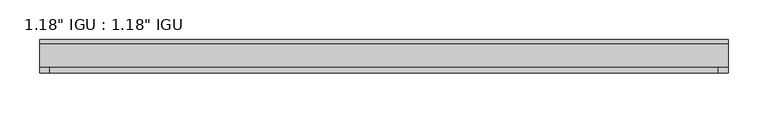
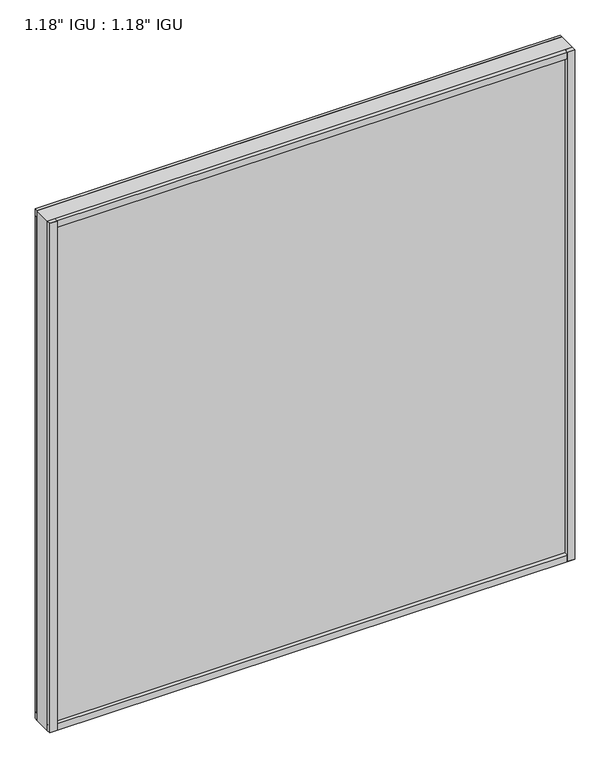
"""IFC4 building model written with IfcOpenShell, lengths in millimetres: plate geometry."""

from ifc_helpers import new_model, si_unit, frame, origin, origin_with_axes, place, context, project, spatial, polyline, outline, extrude, source, transform, mapped, element, save


def plate_3efde6b5(model_context):
    return source(origin(), model_context, "Body", "SweptSolid", [
        extrude(outline(polyline([(431.8, -9.7647125), (431.8, -14.5399125), (-431.8, -14.5399125), (-431.8, -9.7647125), (431.8, -9.7647125)])), origin_with_axes(), (0.0, 0.0, 1.0), 11.1252),
        extrude(outline(polyline([(-431.8, -14.5399125), (-431.8, -9.7647125), (431.8, -9.7647125), (431.8, -14.5399125), (-431.8, -14.5399125)])), frame((0.0, 0.0, 874.7252), z_axis=(0.0, 0.0, 1.0), x_axis=(1.0, 0.0, 0.0)), (0.0, 0.0, 1.0), 11.1252),
        extrude(outline(polyline([(431.8, -44.6643125), (431.8, -51.3953125), (419.6623204, -51.3953125), (419.6623204, -44.6643125), (431.8, -44.6643125)])), origin_with_axes(), (0.0, 0.0, 1.0), 885.8504),
        extrude(outline(polyline([(431.8, -9.7765488), (431.8, -14.5399125), (419.7875762, -14.5399125), (419.7875762, -9.7765488), (431.8, -9.7765488)])), origin_with_axes(), (0.0, 0.0, 1.0), 885.8504),
        extrude(outline(polyline([(-419.7794229, -51.3953125), (-431.8, -51.3953125), (-431.8, -44.6643125), (-419.7794229, -44.6643125), (-419.7794229, -51.3953125)])), origin_with_axes(), (0.0, 0.0, 1.0), 885.8504),
        extrude(outline(polyline([(-419.7794229, -14.5399125), (-431.8, -14.5399125), (-431.8, -9.7647125), (-419.7794229, -9.7647125), (-419.7794229, -14.5399125)])), origin_with_axes(), (0.0, 0.0, 1.0), 885.8504),
        extrude(outline(polyline([(431.8, -44.6643125), (431.8, -51.3953125), (-431.8, -51.3953125), (-431.8, -44.6643125), (431.8, -44.6643125)])), origin_with_axes(), (0.0, 0.0, 1.0), 11.1693096),
        extrude(outline(polyline([(431.8, -44.6643125), (431.8, -51.3953125), (-431.8, -51.3953125), (-431.8, -44.6643125), (431.8, -44.6643125)])), frame((0.0, 0.0, 874.6692942), z_axis=(0.0, 0.0, 1.0), x_axis=(1.0, 0.0, 0.0)), (0.0, 0.0, 1.0), 11.1811058),
        extrude(outline(polyline([(431.8, -44.6643125), (-431.8, -44.6643125), (-431.8, -14.5399125), (431.8, -14.5399125), (431.8, -44.6643125)])), origin_with_axes(), (0.0, 0.0, 1.0), 885.8504),
    ])


if __name__ == "__main__":
    model = new_model("IFC4")
    model_context = context("Model", 3, world=origin())
    ifc_project = project(units=[si_unit("LENGTHUNIT", "METRE", prefix="MILLI")], contexts=[model_context])
    site = spatial("IfcSite", under=ifc_project)
    building = spatial("IfcBuilding", under=site)
    placement = place(None, origin())
    plate_shape = plate_3efde6b5(model_context)
    element("IfcPlate", 1, ObjectType="1.18\" IGU : 1.18\" IGU", at=placement, inside=building, context=model_context, shape_type="MappedRepresentation", body=[
        mapped(plate_shape, transform((0.0, 0.0, 0.0), x_axis=(1.0, 0.0, 0.0), y_axis=(0.0, 1.0, 0.0), z_axis=(0.0, 0.0, 1.0))),
    ])
    save(model, "model.ifc")
